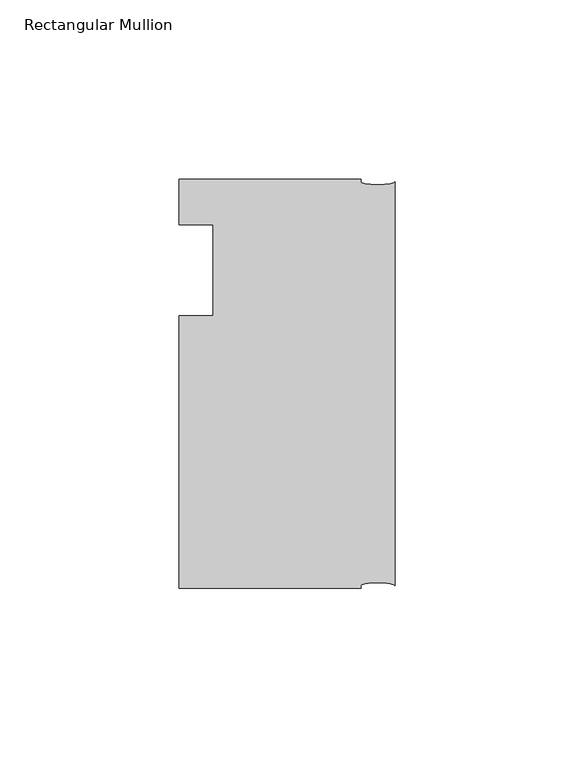
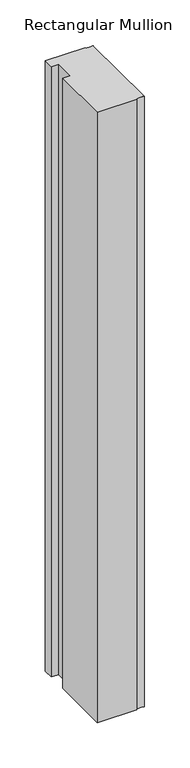
"""IFC4 building model written with IfcOpenShell, lengths in millimetres: member geometry, Rectangular Mullion."""

from ifc_helpers import new_model, si_unit, point, frame, origin, place, context, project, spatial, ellipse_curve, trimmed, source, transform, mapped, element, save
from ifc_brep_helpers import plane_surface, extruded_surface, advanced_brep


def rectangular_mullion_b925b439(model_context):
    return source(origin(), model_context, "Body", "AdvancedBrep", [
        advanced_brep(
        [(-60.325, -101.6, 0.0), (-9.525, -101.6, 0.0), (-9.525, -100.80625, 0.0), (0.0, -100.80625, 0.0), (0.0, 11.90625, 0.0), (-9.525, 11.90625, 0.0), (-9.525, 12.7, 0.0), (-60.325, 12.7, 0.0), (-60.325, 0.0, 0.0), (-50.8, 0.0, 0.0), (-50.8, -25.4, 0.0), (-60.325, -25.4, 0.0), (-60.325, -101.6, -822.325), (-60.325, -25.4, -822.325), (-50.8, -25.4, -822.325), (-50.8, 0.0, -822.325), (-60.325, 0.0, -822.325), (-60.325, 12.7, -822.325), (-9.525, 12.7, -822.325), (-9.525, 11.90625, -822.325), (0.0, 11.90625, -822.325), (0.0, -100.80625, -822.325), (-9.525, -100.80625, -822.325), (-9.525, -101.6, -822.325)],
        [
            (0, 1),
            (1, 2),
            (2, 3, ellipse_curve(frame((-4.7625, -100.80625, 0.0), z_axis=(0.0, 0.0, -1.0), x_axis=(-1.0, 0.0, 0.0)), 4.7625, 0.79375)),
            (3, 4),
            (4, 5, ellipse_curve(frame((-4.7625, 11.90625, 0.0), z_axis=(0.0, 0.0, -1.0), x_axis=(-1.0, 0.0, 0.0)), 4.7625, 0.79375)),
            (5, 6),
            (6, 7),
            (7, 8),
            (8, 9),
            (9, 10),
            (10, 11),
            (11, 0),
            (12, 13),
            (13, 14),
            (14, 15),
            (15, 16),
            (16, 17),
            (17, 18),
            (18, 19),
            (19, 20, ellipse_curve(frame((-4.7625, 11.90625, -822.325), z_axis=(0.0, 0.0, 1.0), x_axis=(-1.0, 0.0, 0.0)), 4.7625, 0.79375)),
            (20, 21),
            (21, 22, ellipse_curve(frame((-4.7625, -100.80625, -822.325), z_axis=(0.0, 0.0, 1.0), x_axis=(-1.0, 0.0, 0.0)), 4.7625, 0.79375)),
            (22, 23),
            (23, 12),
            (0, 12),
            (23, 1),
            (22, 2),
            (21, 3),
            (20, 4),
            (19, 5),
            (18, 6),
            (17, 7),
            (16, 8),
            (15, 9),
            (14, 10),
            (13, 11),
        ],
        [
            plane_surface(frame((0.0, -118.1594923, 0.0), z_axis=(0.0, 0.0, 1.0), x_axis=(-1.0, 0.0, 0.0))),
            plane_surface(frame((0.0, -118.1594923, -822.325), z_axis=(0.0, 0.0, -1.0), x_axis=(-1.0, 0.0, 0.0))),
            plane_surface(frame((-60.325, -101.6, 0.0), z_axis=(0.0, -1.0, 0.0), x_axis=(0.0, 0.0, -1.0))),
            plane_surface(frame((-9.525, -101.6, 0.0), z_axis=(1.0, 0.0, 0.0), x_axis=(0.0, 0.0, -1.0))),
            extruded_surface(trimmed(ellipse_curve(frame((-4.7625, -100.80625, -822.325), z_axis=(0.0, 0.0, -1.0), x_axis=(-1.0, 0.0, 0.0)), 4.7625, 0.79375), [point((-9.525, -100.80625, -822.325))], [point((0.0, -100.80625, -822.325))], True, "CARTESIAN"), (0.0, 0.0, 822.325), 822.325),
            plane_surface(frame((0.0, -100.80625, 0.0), z_axis=(1.0, 0.0, 0.0), x_axis=(0.0, 0.0, -1.0))),
            extruded_surface(trimmed(ellipse_curve(frame((-4.7625, 11.90625, -822.325), z_axis=(0.0, 0.0, -1.0), x_axis=(-1.0, 0.0, 0.0)), 4.7625, 0.79375), [point((0.0, 11.90625, -822.325))], [point((-9.525, 11.90625, -822.325))], True, "CARTESIAN"), (0.0, 0.0, 822.325), 822.325),
            plane_surface(frame((-9.525, 11.90625, 0.0), z_axis=(1.0, 0.0, 0.0), x_axis=(0.0, 0.0, -1.0))),
            plane_surface(frame((-9.525, 12.7, 0.0), z_axis=(0.0, 1.0, 0.0), x_axis=(0.0, 0.0, -1.0))),
            plane_surface(frame((-60.325, 12.7, 0.0), z_axis=(-1.0, 0.0, 0.0), x_axis=(0.0, 0.0, -1.0))),
            plane_surface(frame((-60.325, 0.0, 0.0), z_axis=(0.0, -1.0, 0.0), x_axis=(0.0, 0.0, -1.0))),
            plane_surface(frame((-50.8, 0.0, 0.0), z_axis=(-1.0, 0.0, 0.0), x_axis=(0.0, 0.0, -1.0))),
            plane_surface(frame((-50.8, -25.4, 0.0), z_axis=(0.0, 1.0, 0.0), x_axis=(0.0, 0.0, -1.0))),
            plane_surface(frame((-60.325, -25.4, 0.0), z_axis=(-1.0, 0.0, 0.0), x_axis=(0.0, 0.0, -1.0))),
        ],
        [
            (0, [[1, 2, 3, 4, 5, 6, 7, 8, 9, 10, 11, 12]]),
            (1, [[13, 14, 15, 16, 17, 18, 19, 20, 21, 22, 23, 24]]),
            (2, [[-1, 25, -24, 26]]),
            (3, [[-2, -26, -23, 27]]),
            (4, [[-3, -27, -22, 28]]),
            (5, [[-4, -28, -21, 29]]),
            (6, [[-5, -29, -20, 30]]),
            (7, [[-6, -30, -19, 31]]),
            (8, [[-7, -31, -18, 32]]),
            (9, [[-8, -32, -17, 33]]),
            (10, [[-9, -33, -16, 34]]),
            (11, [[-10, -34, -15, 35]]),
            (12, [[-11, -35, -14, 36]]),
            (13, [[-12, -36, -13, -25]]),
        ],
    ),
    ])


if __name__ == "__main__":
    model = new_model("IFC4")
    model_context = context("Model", 3, world=origin())
    ifc_project = project(units=[si_unit("LENGTHUNIT", "METRE", prefix="MILLI")], contexts=[model_context])
    site = spatial("IfcSite", under=ifc_project)
    building = spatial("IfcBuilding", under=site)
    placement = place(None, origin())
    rectangular_mullion_shape = rectangular_mullion_b925b439(model_context)
    element("IfcMember", 1, ObjectType="Rectangular Mullion", at=placement, inside=building, context=model_context, shape_type="MappedRepresentation", body=[
        mapped(rectangular_mullion_shape, transform((0.0, 0.0, 0.0), x_axis=(1.0, 0.0, 0.0), y_axis=(0.0, 1.0, 0.0), z_axis=(0.0, 0.0, 1.0))),
    ])
    save(model, "model.ifc")
